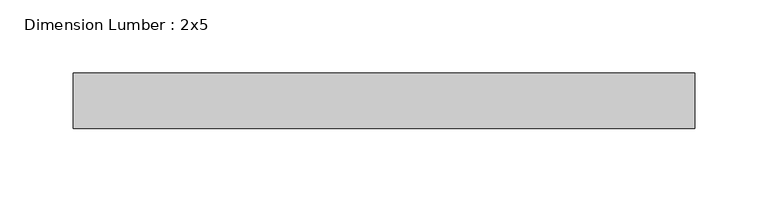
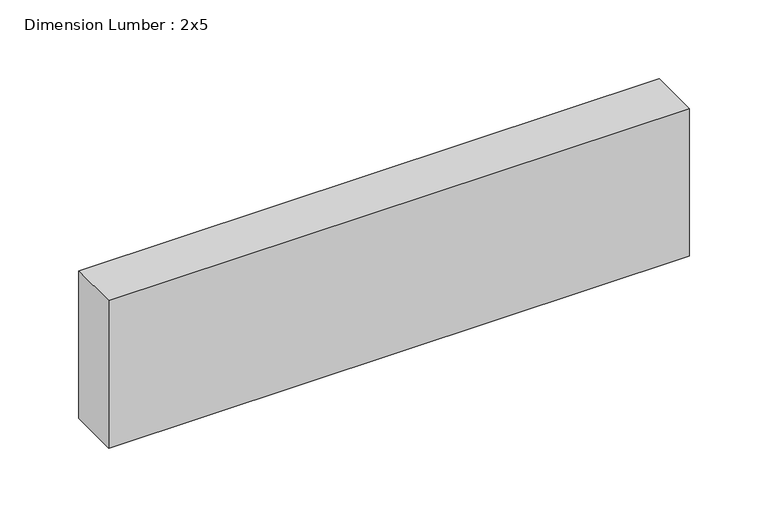
"""IFC4 building model written with IfcOpenShell, lengths in millimetres: beam geometry, Dimension Lumber : 2x5."""

import ifcopenshell
import ifcopenshell.guid

model = None  # the IFC model being written
_history = None  # IfcOwnerHistory: only IFC2X3 demands one
_inside = {}  # id of a spatial element -> (the spatial element, [elements in it])
_under = {}  # id of a project, library or spatial element -> (it, [spatial elements below it])
_declared = {}  # id of a project -> (the project, [libraries it declares])
_typed = {}  # id of a type object -> (the type object, [elements of that type])
_made_of = {}  # id of a material, layer set ... -> (it, [elements and type objects made of it])


def new_model(schema):
    """Start an empty IFC model of exactly this schema.

    Asked for "IFC4X3", IfcOpenShell would pick the latest addendum, in which some entities
    have other attributes; the version numbers below select the first issue.
    IFC2X3 requires an IfcOwnerHistory on every rooted entity: one is made here for all.
    """
    global model, _history
    if schema == "IFC4X3":
        model = ifcopenshell.file(schema_version=(4, 3, 0, 0))
    else:
        model = ifcopenshell.file(schema=schema)
    _inside.clear()
    _under.clear()
    _declared.clear()
    _typed.clear()
    _made_of.clear()
    _history = None
    if model.schema == "IFC2X3":
        org = make("IfcOrganization", Name="unknown")
        user = make(
            "IfcPersonAndOrganization",
            ThePerson=make("IfcPerson", FamilyName="unknown"),
            TheOrganization=org,
        )
        app = make(
            "IfcApplication",
            ApplicationDeveloper=org,
            Version="unknown",
            ApplicationFullName="unknown",
            ApplicationIdentifier="unknown",
        )
        _history = make(
            "IfcOwnerHistory",
            OwningUser=user,
            OwningApplication=app,
            ChangeAction="ADDED",
            CreationDate=0,
        )
    return model


def make(cls, **values):
    """One entity of the class cls with the attributes given. An attribute that is None is left unset."""
    return model.create_entity(
        cls, **{name: value for name, value in values.items() if value is not None}
    )


def rooted(cls, **values):
    """An entity with a GlobalId (a new one), such as an element, a storey or a relation."""
    return make(cls, GlobalId=ifcopenshell.guid.new(), OwnerHistory=_history, **values)


def si_unit(unit_type, name, prefix=None):
    """IfcSIUnit, for example si_unit("LENGTHUNIT", "METRE", prefix="MILLI")."""
    return make("IfcSIUnit", UnitType=unit_type, Prefix=prefix, Name=name)


def assignment(units):
    """IfcUnitAssignment: the units of a project."""
    return None if units is None else make("IfcUnitAssignment", Units=units)


def point(xyz):
    """IfcCartesianPoint."""
    return None if xyz is None else make("IfcCartesianPoint", Coordinates=xyz)


def direction(xyz):
    """IfcDirection."""
    return None if xyz is None else make("IfcDirection", DirectionRatios=xyz)


def frame(location, z_axis=None, x_axis=None):
    """IfcAxis2Placement3D, a coordinate frame: its origin and axes. An axis left out is left unset."""
    return make(
        "IfcAxis2Placement3D",
        Location=point(location),
        Axis=direction(z_axis),
        RefDirection=direction(x_axis),
    )


def origin():
    """The frame at (0, 0, 0) with its axes left unset."""
    return frame((0.0, 0.0, 0.0))


def place(relative_to, where):
    """IfcLocalPlacement: puts the frame where relative to a parent placement (None: the world)."""
    return make(
        "IfcLocalPlacement", PlacementRelTo=relative_to, RelativePlacement=where
    )


def context(
    kind, dimensions, precision=None, world=None, true_north=None, identifier=None
):
    """IfcGeometricRepresentationContext, for example the 3D "Model" context."""
    return make(
        "IfcGeometricRepresentationContext",
        ContextIdentifier=identifier,
        ContextType=kind,
        CoordinateSpaceDimension=dimensions,
        Precision=precision,
        WorldCoordinateSystem=world,
        TrueNorth=true_north,
    )


def project(units=None, contexts=None):
    """IfcProject with its units and contexts."""
    return rooted(
        "IfcProject",
        Name="project",
        RepresentationContexts=contexts,
        UnitsInContext=assignment(units),
    )


def spatial(cls, under=None, at=None, **own):
    """A site, building, storey or space (cls), placed at a placement, below another one or the project."""
    s = rooted(cls, ObjectPlacement=at, **own)
    if under is not None:
        _under.setdefault(under.id(), (under, []))[1].append(s)
    return s


def polyline(points):
    """IfcPolyline through the points."""
    return make("IfcPolyline", Points=[point(p) for p in points])


def outline(outer, holes=None, kind="AREA"):
    """IfcArbitraryClosedProfileDef: a profile drawn as a closed curve; with holes, ...WithVoids."""
    if holes is None:
        return make("IfcArbitraryClosedProfileDef", ProfileType=kind, OuterCurve=outer)
    return make(
        "IfcArbitraryProfileDefWithVoids",
        ProfileType=kind,
        OuterCurve=outer,
        InnerCurves=holes,
    )


def extrude(swept, where, along, depth):
    """IfcExtrudedAreaSolid: the profile swept, set in the frame where, extruded along a direction by depth."""
    return make(
        "IfcExtrudedAreaSolid",
        SweptArea=swept,
        Position=where,
        ExtrudedDirection=direction(along),
        Depth=depth,
    )


def shape(context_of_items, identifier, shape_type, items):
    """IfcShapeRepresentation: the items that make up one representation, for example the "Body"."""
    return make(
        "IfcShapeRepresentation",
        ContextOfItems=context_of_items,
        RepresentationIdentifier=identifier,
        RepresentationType=shape_type,
        Items=items,
    )


def source(mapping_origin, context_of_items, identifier, shape_type, items):
    """IfcRepresentationMap: a shape defined once, which mapped items show again and again."""
    return make(
        "IfcRepresentationMap",
        MappingOrigin=mapping_origin,
        MappedRepresentation=shape(context_of_items, identifier, shape_type, items),
    )


def transform(
    local_origin,
    x_axis=None,
    y_axis=None,
    z_axis=None,
    scale=None,
    scale2=None,
    scale3=None,
    uniform=True,
):
    """IfcCartesianTransformationOperator3D, or its non-uniform kind. x_axis, y_axis, z_axis: its Axis1, 2, 3."""
    if uniform:
        return make(
            "IfcCartesianTransformationOperator3D",
            Axis1=direction(x_axis),
            Axis2=direction(y_axis),
            LocalOrigin=point(local_origin),
            Scale=scale,
            Axis3=direction(z_axis),
        )
    return make(
        "IfcCartesianTransformationOperator3DnonUniform",
        Axis1=direction(x_axis),
        Axis2=direction(y_axis),
        LocalOrigin=point(local_origin),
        Scale=scale,
        Axis3=direction(z_axis),
        Scale2=scale2,
        Scale3=scale3,
    )


def mapped(mapping_source, mapping_target):
    """IfcMappedItem: shows the shape of a source again, moved by a transform."""
    return make(
        "IfcMappedItem", MappingSource=mapping_source, MappingTarget=mapping_target
    )


def made_of(thing, what):
    """Note that an element or type object is made of a material, layer set ...; save() writes the relation."""
    if what is not None:
        _made_of.setdefault(what.id(), (what, []))[1].append(thing)
    return thing


def element(
    cls,
    number,
    at=None,
    inside=None,
    cuts=None,
    type_object=None,
    material=None,
    context=None,
    identifier="Body",
    shape_type=None,
    held_by="IfcProductDefinitionShape",
    body=None,
    shapes=None,
    **own,
):
    """One element of the class cls, such as IfcWall. Its Tag is "e" and its number.

    at: its placement. inside: the storey or other place that contains it. cuts: it is an
    opening in that element (IfcRelVoidsElement). A single representation is given by context,
    identifier, shape_type and body (its items); several are given by shapes. held_by: the class
    of the entity that holds the representations. save() writes the other relations.
    """
    e = rooted(cls, Tag="e%d" % number, ObjectPlacement=at, **own)
    if body is not None:
        shapes = [shape(context, identifier, shape_type, body)]
    if shapes is not None:
        e.Representation = make(held_by, Representations=shapes)
    if inside is not None:
        _inside.setdefault(inside.id(), (inside, []))[1].append(e)
    if cuts is not None:
        rooted(
            "IfcRelVoidsElement", RelatingBuildingElement=cuts, RelatedOpeningElement=e
        )
    if type_object is not None:
        _typed.setdefault(type_object.id(), (type_object, []))[1].append(e)
    return made_of(e, material)


def aggregate(whole, parts):
    """IfcRelAggregates: a whole, such as a stair, and the parts it consists of."""
    return rooted("IfcRelAggregates", RelatingObject=whole, RelatedObjects=parts)


def save(model, path):
    """Write the relations noted so far, then the file.

    IfcRelAggregates (storeys below a building ...), IfcRelContainedInSpatialStructure (elements
    in a storey), IfcRelDefinesByType, IfcRelAssociatesMaterial and IfcRelDeclares: one each for
    every whole, place, type object, material and project.
    """
    for whole, parts in _under.values():
        aggregate(whole, parts)
    for where, things in _inside.values():
        rooted(
            "IfcRelContainedInSpatialStructure",
            RelatedElements=things,
            RelatingStructure=where,
        )
    for kind, things in _typed.values():
        rooted("IfcRelDefinesByType", RelatedObjects=things, RelatingType=kind)
    for what, things in _made_of.values():
        rooted("IfcRelAssociatesMaterial", RelatedObjects=things, RelatingMaterial=what)
    for by, libraries in _declared.values():
        rooted("IfcRelDeclares", RelatingContext=by, RelatedDefinitions=libraries)
    model.write(path)


def dimension_lumber_2x5_bfd3873c(model_context):
    return source(origin(), model_context, "Body", "SweptSolid", [
        extrude(outline(polyline([(212.1409641, 19.05), (212.1409641, -19.05), (-212.72973, -19.05), (-212.72973, 19.05), (212.1409641, 19.05)])), frame((0.0, 0.0, -57.15), z_axis=(0.0, 0.0, 1.0), x_axis=(1.0, 0.0, 0.0)), (0.0, 0.0, 1.0), 114.3),
    ])


if __name__ == "__main__":
    model = new_model("IFC4")
    model_context = context("Model", 3, world=origin())
    ifc_project = project(units=[si_unit("LENGTHUNIT", "METRE", prefix="MILLI")], contexts=[model_context])
    site = spatial("IfcSite", under=ifc_project)
    building = spatial("IfcBuilding", under=site)
    placement = place(None, origin())
    dimension_lumber_2x5_shape = dimension_lumber_2x5_bfd3873c(model_context)
    element("IfcBeam", 1, ObjectType="Dimension Lumber : 2x5", at=placement, inside=building, context=model_context, shape_type="MappedRepresentation", body=[
        mapped(dimension_lumber_2x5_shape, transform((0.0, 0.0, 0.0), x_axis=(1.0, 0.0, 0.0), y_axis=(0.0, 1.0, 0.0), z_axis=(0.0, 0.0, 1.0))),
    ])
    save(model, "model.ifc")
